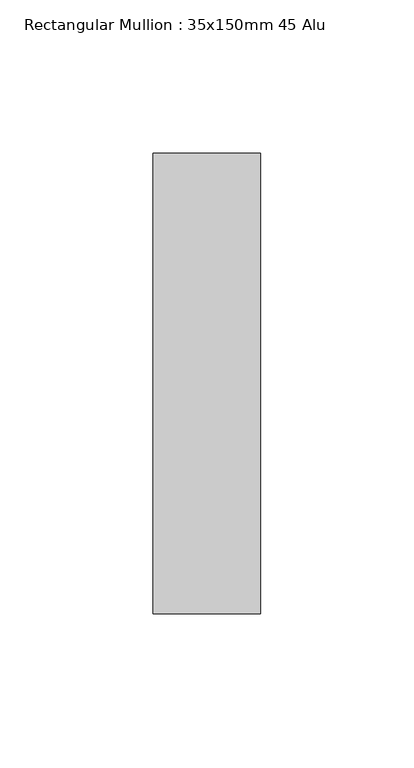
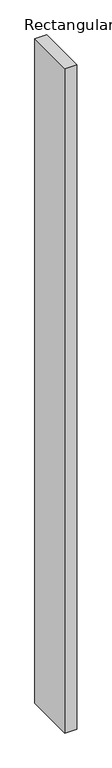
"""IFC4 building model written with IfcOpenShell, lengths in millimetres: member geometry, Rectangular Mullion : 35x150mm 45 Alu."""

import ifcopenshell
import ifcopenshell.guid

model = None  # the IFC model being written
_history = None  # IfcOwnerHistory: only IFC2X3 demands one
_inside = {}  # id of a spatial element -> (the spatial element, [elements in it])
_under = {}  # id of a project, library or spatial element -> (it, [spatial elements below it])
_declared = {}  # id of a project -> (the project, [libraries it declares])
_typed = {}  # id of a type object -> (the type object, [elements of that type])
_made_of = {}  # id of a material, layer set ... -> (it, [elements and type objects made of it])


def new_model(schema):
    """Start an empty IFC model of exactly this schema.

    Asked for "IFC4X3", IfcOpenShell would pick the latest addendum, in which some entities
    have other attributes; the version numbers below select the first issue.
    IFC2X3 requires an IfcOwnerHistory on every rooted entity: one is made here for all.
    """
    global model, _history
    if schema == "IFC4X3":
        model = ifcopenshell.file(schema_version=(4, 3, 0, 0))
    else:
        model = ifcopenshell.file(schema=schema)
    _inside.clear()
    _under.clear()
    _declared.clear()
    _typed.clear()
    _made_of.clear()
    _history = None
    if model.schema == "IFC2X3":
        org = make("IfcOrganization", Name="unknown")
        user = make(
            "IfcPersonAndOrganization",
            ThePerson=make("IfcPerson", FamilyName="unknown"),
            TheOrganization=org,
        )
        app = make(
            "IfcApplication",
            ApplicationDeveloper=org,
            Version="unknown",
            ApplicationFullName="unknown",
            ApplicationIdentifier="unknown",
        )
        _history = make(
            "IfcOwnerHistory",
            OwningUser=user,
            OwningApplication=app,
            ChangeAction="ADDED",
            CreationDate=0,
        )
    return model


def make(cls, **values):
    """One entity of the class cls with the attributes given. An attribute that is None is left unset."""
    return model.create_entity(
        cls, **{name: value for name, value in values.items() if value is not None}
    )


def rooted(cls, **values):
    """An entity with a GlobalId (a new one), such as an element, a storey or a relation."""
    return make(cls, GlobalId=ifcopenshell.guid.new(), OwnerHistory=_history, **values)


def si_unit(unit_type, name, prefix=None):
    """IfcSIUnit, for example si_unit("LENGTHUNIT", "METRE", prefix="MILLI")."""
    return make("IfcSIUnit", UnitType=unit_type, Prefix=prefix, Name=name)


def assignment(units):
    """IfcUnitAssignment: the units of a project."""
    return None if units is None else make("IfcUnitAssignment", Units=units)


def point(xyz):
    """IfcCartesianPoint."""
    return None if xyz is None else make("IfcCartesianPoint", Coordinates=xyz)


def direction(xyz):
    """IfcDirection."""
    return None if xyz is None else make("IfcDirection", DirectionRatios=xyz)


def frame(location, z_axis=None, x_axis=None):
    """IfcAxis2Placement3D, a coordinate frame: its origin and axes. An axis left out is left unset."""
    return make(
        "IfcAxis2Placement3D",
        Location=point(location),
        Axis=direction(z_axis),
        RefDirection=direction(x_axis),
    )


def origin():
    """The frame at (0, 0, 0) with its axes left unset."""
    return frame((0.0, 0.0, 0.0))


def place(relative_to, where):
    """IfcLocalPlacement: puts the frame where relative to a parent placement (None: the world)."""
    return make(
        "IfcLocalPlacement", PlacementRelTo=relative_to, RelativePlacement=where
    )


def context(
    kind, dimensions, precision=None, world=None, true_north=None, identifier=None
):
    """IfcGeometricRepresentationContext, for example the 3D "Model" context."""
    return make(
        "IfcGeometricRepresentationContext",
        ContextIdentifier=identifier,
        ContextType=kind,
        CoordinateSpaceDimension=dimensions,
        Precision=precision,
        WorldCoordinateSystem=world,
        TrueNorth=true_north,
    )


def project(units=None, contexts=None):
    """IfcProject with its units and contexts."""
    return rooted(
        "IfcProject",
        Name="project",
        RepresentationContexts=contexts,
        UnitsInContext=assignment(units),
    )


def spatial(cls, under=None, at=None, **own):
    """A site, building, storey or space (cls), placed at a placement, below another one or the project."""
    s = rooted(cls, ObjectPlacement=at, **own)
    if under is not None:
        _under.setdefault(under.id(), (under, []))[1].append(s)
    return s


def polyline(points):
    """IfcPolyline through the points."""
    return make("IfcPolyline", Points=[point(p) for p in points])


def outline(outer, holes=None, kind="AREA"):
    """IfcArbitraryClosedProfileDef: a profile drawn as a closed curve; with holes, ...WithVoids."""
    if holes is None:
        return make("IfcArbitraryClosedProfileDef", ProfileType=kind, OuterCurve=outer)
    return make(
        "IfcArbitraryProfileDefWithVoids",
        ProfileType=kind,
        OuterCurve=outer,
        InnerCurves=holes,
    )


def extrude(swept, where, along, depth):
    """IfcExtrudedAreaSolid: the profile swept, set in the frame where, extruded along a direction by depth."""
    return make(
        "IfcExtrudedAreaSolid",
        SweptArea=swept,
        Position=where,
        ExtrudedDirection=direction(along),
        Depth=depth,
    )


def shape(context_of_items, identifier, shape_type, items):
    """IfcShapeRepresentation: the items that make up one representation, for example the "Body"."""
    return make(
        "IfcShapeRepresentation",
        ContextOfItems=context_of_items,
        RepresentationIdentifier=identifier,
        RepresentationType=shape_type,
        Items=items,
    )


def source(mapping_origin, context_of_items, identifier, shape_type, items):
    """IfcRepresentationMap: a shape defined once, which mapped items show again and again."""
    return make(
        "IfcRepresentationMap",
        MappingOrigin=mapping_origin,
        MappedRepresentation=shape(context_of_items, identifier, shape_type, items),
    )


def transform(
    local_origin,
    x_axis=None,
    y_axis=None,
    z_axis=None,
    scale=None,
    scale2=None,
    scale3=None,
    uniform=True,
):
    """IfcCartesianTransformationOperator3D, or its non-uniform kind. x_axis, y_axis, z_axis: its Axis1, 2, 3."""
    if uniform:
        return make(
            "IfcCartesianTransformationOperator3D",
            Axis1=direction(x_axis),
            Axis2=direction(y_axis),
            LocalOrigin=point(local_origin),
            Scale=scale,
            Axis3=direction(z_axis),
        )
    return make(
        "IfcCartesianTransformationOperator3DnonUniform",
        Axis1=direction(x_axis),
        Axis2=direction(y_axis),
        LocalOrigin=point(local_origin),
        Scale=scale,
        Axis3=direction(z_axis),
        Scale2=scale2,
        Scale3=scale3,
    )


def mapped(mapping_source, mapping_target):
    """IfcMappedItem: shows the shape of a source again, moved by a transform."""
    return make(
        "IfcMappedItem", MappingSource=mapping_source, MappingTarget=mapping_target
    )


def made_of(thing, what):
    """Note that an element or type object is made of a material, layer set ...; save() writes the relation."""
    if what is not None:
        _made_of.setdefault(what.id(), (what, []))[1].append(thing)
    return thing


def element(
    cls,
    number,
    at=None,
    inside=None,
    cuts=None,
    type_object=None,
    material=None,
    context=None,
    identifier="Body",
    shape_type=None,
    held_by="IfcProductDefinitionShape",
    body=None,
    shapes=None,
    **own,
):
    """One element of the class cls, such as IfcWall. Its Tag is "e" and its number.

    at: its placement. inside: the storey or other place that contains it. cuts: it is an
    opening in that element (IfcRelVoidsElement). A single representation is given by context,
    identifier, shape_type and body (its items); several are given by shapes. held_by: the class
    of the entity that holds the representations. save() writes the other relations.
    """
    e = rooted(cls, Tag="e%d" % number, ObjectPlacement=at, **own)
    if body is not None:
        shapes = [shape(context, identifier, shape_type, body)]
    if shapes is not None:
        e.Representation = make(held_by, Representations=shapes)
    if inside is not None:
        _inside.setdefault(inside.id(), (inside, []))[1].append(e)
    if cuts is not None:
        rooted(
            "IfcRelVoidsElement", RelatingBuildingElement=cuts, RelatedOpeningElement=e
        )
    if type_object is not None:
        _typed.setdefault(type_object.id(), (type_object, []))[1].append(e)
    return made_of(e, material)


def aggregate(whole, parts):
    """IfcRelAggregates: a whole, such as a stair, and the parts it consists of."""
    return rooted("IfcRelAggregates", RelatingObject=whole, RelatedObjects=parts)


def save(model, path):
    """Write the relations noted so far, then the file.

    IfcRelAggregates (storeys below a building ...), IfcRelContainedInSpatialStructure (elements
    in a storey), IfcRelDefinesByType, IfcRelAssociatesMaterial and IfcRelDeclares: one each for
    every whole, place, type object, material and project.
    """
    for whole, parts in _under.values():
        aggregate(whole, parts)
    for where, things in _inside.values():
        rooted(
            "IfcRelContainedInSpatialStructure",
            RelatedElements=things,
            RelatingStructure=where,
        )
    for kind, things in _typed.values():
        rooted("IfcRelDefinesByType", RelatedObjects=things, RelatingType=kind)
    for what, things in _made_of.values():
        rooted("IfcRelAssociatesMaterial", RelatedObjects=things, RelatingMaterial=what)
    for by, libraries in _declared.values():
        rooted("IfcRelDeclares", RelatingContext=by, RelatedDefinitions=libraries)
    model.write(path)


def rectangular_mullion_35x150mm_45_alu_473e297a(model_context):
    return source(origin(), model_context, "Body", "SweptSolid", [
        extrude(outline(polyline([(0.0, 30.0), (0.0, -120.0), (-35.0, -120.0), (-35.0, 30.0), (0.0, 30.0)])), frame((0.0, 0.0, -2041.754825), z_axis=(0.0, 0.0, 1.0), x_axis=(1.0, 0.0, 0.0)), (0.0, 0.0, 1.0), 2041.754825),
    ])


if __name__ == "__main__":
    model = new_model("IFC4")
    model_context = context("Model", 3, world=origin())
    ifc_project = project(units=[si_unit("LENGTHUNIT", "METRE", prefix="MILLI")], contexts=[model_context])
    site = spatial("IfcSite", under=ifc_project)
    building = spatial("IfcBuilding", under=site)
    placement = place(None, origin())
    rectangular_mullion_35x150mm_45_alu_shape = rectangular_mullion_35x150mm_45_alu_473e297a(model_context)
    element("IfcMember", 1, ObjectType="Rectangular Mullion : 35x150mm 45 Alu", at=placement, inside=building, context=model_context, shape_type="MappedRepresentation", body=[
        mapped(rectangular_mullion_35x150mm_45_alu_shape, transform((0.0, 0.0, 0.0), x_axis=(1.0, 0.0, 0.0), y_axis=(0.0, 1.0, 0.0), z_axis=(0.0, 0.0, 1.0))),
    ])
    save(model, "model.ifc")
